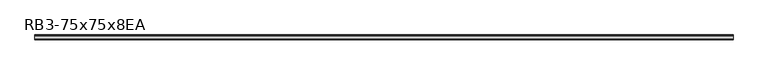
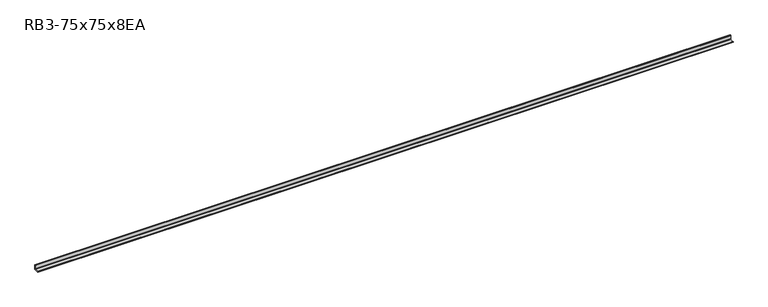
"""IFC4 building model written with IfcOpenShell, lengths in millimetres: member geometry, RB3-75x75x8EA."""

from ifc_helpers import new_model, si_unit, point, frame, frame_2d, origin, place, context, project, spatial, polyline, circle_curve, trimmed, segment, composite_curve, outline, extrude, source, transform, mapped, element, save


def rb3_75x75x8ea_b92f00f2(model_context):
    return source(origin(), model_context, "Body", "SweptSolid", [
        extrude(outline(composite_curve([segment(polyline([(21.3, -21.3), (-53.7, -21.3), (-53.7, -18.3)]), True, "CONTINUOUS"), segment(trimmed(circle_curve(frame_2d((-48.7, -18.3)), 5.0), [point((-53.7, -18.3))], [point((-48.7, -13.3))], False, "CARTESIAN"), True, "CONTINUOUS"), segment(polyline([(-48.7, -13.3), (5.3, -13.3)]), True, "CONTINUOUS"), segment(trimmed(circle_curve(frame_2d((5.3, -5.3)), 8.0), [point((5.3, -13.3))], [point((13.3, -5.3))], True, "CARTESIAN"), True, "CONTINUOUS"), segment(polyline([(13.3, -5.3), (13.3, 48.7)]), True, "CONTINUOUS"), segment(trimmed(circle_curve(frame_2d((18.3, 48.7)), 5.0), [point((13.3, 48.7))], [point((18.3, 53.7))], False, "CARTESIAN"), True, "CONTINUOUS"), segment(polyline([(18.3, 53.7), (21.3, 53.7), (21.3, -21.3)]), True, "CONTINUOUS")], self_intersect=False)), frame((-5410.5, 0.0, 0.0), z_axis=(1.0, 0.0, 0.0), x_axis=(0.0, 1.0, 0.0)), (0.0, 0.0, 1.0), 10837.0),
    ])


if __name__ == "__main__":
    model = new_model("IFC4")
    model_context = context("Model", 3, world=origin())
    ifc_project = project(units=[si_unit("LENGTHUNIT", "METRE", prefix="MILLI")], contexts=[model_context])
    site = spatial("IfcSite", under=ifc_project)
    building = spatial("IfcBuilding", under=site)
    placement = place(None, origin())
    rb3_75x75x8ea_shape = rb3_75x75x8ea_b92f00f2(model_context)
    element("IfcMember", 1, ObjectType="RB3-75x75x8EA", at=placement, inside=building, context=model_context, shape_type="MappedRepresentation", body=[
        mapped(rb3_75x75x8ea_shape, transform((0.0, 0.0, 0.0), x_axis=(1.0, 0.0, 0.0), y_axis=(0.0, 1.0, 0.0), z_axis=(0.0, 0.0, 1.0))),
    ])
    save(model, "model.ifc")
